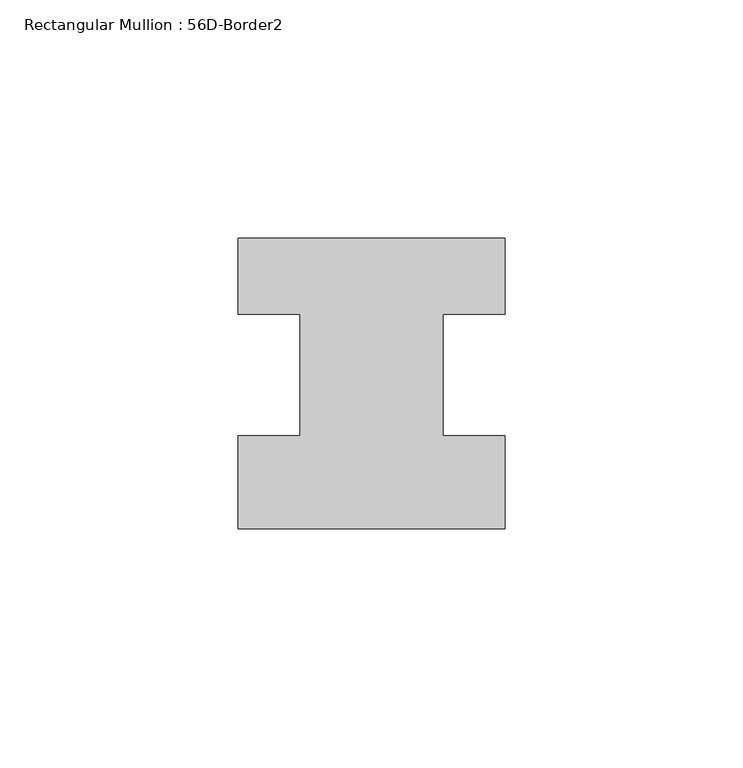
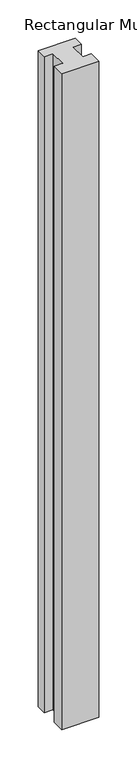
"""IFC4 building model written with IfcOpenShell, lengths in millimetres: member geometry, Rectangular Mullion : 56D-Border2."""

from ifc_helpers import new_model, si_unit, frame, origin, place, context, project, spatial, polyline, outline, extrude, source, transform, mapped, element, save


def rectangular_mullion_56d_border2_2a779f40(model_context):
    return source(origin(), model_context, "Body", "SweptSolid", [
        extrude(outline(polyline([(0.0, -20.0), (-56.0, -20.0), (-56.0, -0.5), (-43.0, -0.5), (-43.0, 25.0), (-56.0, 25.0), (-56.0, 41.0), (0.0, 41.0), (0.0, 25.0), (-13.0, 25.0), (-13.0, -0.5), (0.0, -0.5), (0.0, -20.0)])), frame((0.0, 0.0, -1047.5608973), z_axis=(0.0, 0.0, 1.0), x_axis=(1.0, 0.0, 0.0)), (0.0, 0.0, 1.0), 1047.5608973),
    ])


if __name__ == "__main__":
    model = new_model("IFC4")
    model_context = context("Model", 3, world=origin())
    ifc_project = project(units=[si_unit("LENGTHUNIT", "METRE", prefix="MILLI")], contexts=[model_context])
    site = spatial("IfcSite", under=ifc_project)
    building = spatial("IfcBuilding", under=site)
    placement = place(None, origin())
    rectangular_mullion_56d_border2_shape = rectangular_mullion_56d_border2_2a779f40(model_context)
    element("IfcMember", 1, ObjectType="Rectangular Mullion : 56D-Border2", at=placement, inside=building, context=model_context, shape_type="MappedRepresentation", body=[
        mapped(rectangular_mullion_56d_border2_shape, transform((0.0, 0.0, 0.0), x_axis=(1.0, 0.0, 0.0), y_axis=(0.0, 1.0, 0.0), z_axis=(0.0, 0.0, 1.0))),
    ])
    save(model, "model.ifc")
